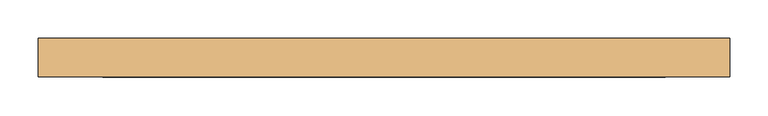
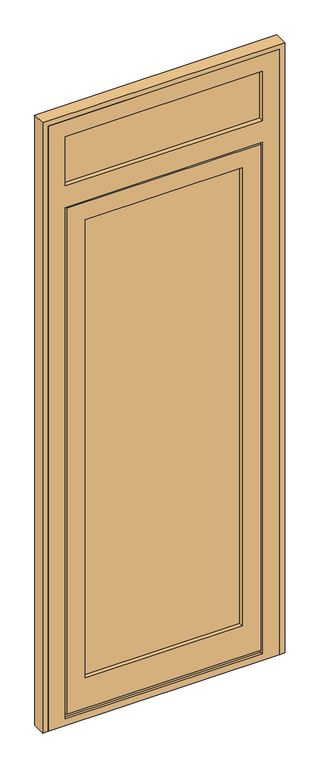
"""IFC4 building model written with IfcOpenShell, lengths in millimetres: door geometry."""

from ifc_helpers import new_model, si_unit, frame, origin, place, context, project, spatial, polyline, outline, extrude, faceted_brep, source, transform, mapped, element, save


def door_c989df3c(model_context):
    return source(origin(), model_context, "Body", "SolidModel", [
        extrude(outline(polyline([(-185.0, 67.0), (-185.0, 91.0), (435.0, 91.0), (435.0, 67.0), (-185.0, 67.0)])), frame((0.0, 0.0, 143.5), z_axis=(0.0, 0.0, 1.0), x_axis=(1.0, 0.0, 0.0)), (0.0, 0.0, 1.0), 1837.5),
        extrude(outline(polyline([(-259.0, 67.0), (-259.0, 91.0), (509.0, 91.0), (509.0, 67.0), (-259.0, 67.0)])), frame((0.0, 0.0, 2105.0), z_axis=(0.0, 0.0, 1.0), x_axis=(1.0, 0.0, 0.0)), (0.0, 0.0, 1.0), 229.0),
        faceted_brep([(511.0, 91.0, 17.0), (501.0, 91.0, 17.0), (501.0, 59.0, 17.0), (491.0, 59.0, 17.0), (491.0, 91.0, 17.0), (-241.0, 91.0, 17.0), (-241.0, 59.0, 17.0), (-251.0, 59.0, 17.0), (-251.0, 91.0, 17.0), (-261.0, 91.0, 17.0), (-261.0, 100.0, 17.0), (511.0, 100.0, 17.0), (511.0, 100.0, 2057.0), (511.0, 91.0, 2057.0), (-261.0, 100.0, 2057.0), (417.0, 100.0, 1963.0), (-167.0, 100.0, 1963.0), (-167.0, 100.0, 161.5), (417.0, 100.0, 161.5), (417.0, 91.0, 161.5), (417.0, 91.0, 1963.0), (-185.0, 91.0, 1981.0), (-185.0, 91.0, 143.5), (435.0, 91.0, 143.5), (435.0, 91.0, 1981.0), (-167.0, 91.0, 161.5), (-167.0, 91.0, 1963.0), (491.0, 91.0, 27.0), (-241.0, 91.0, 27.0), (435.0, 67.0, 143.5), (435.0, 67.0, 1981.0), (-185.0, 67.0, 143.5), (-185.0, 67.0, 1981.0), (417.0, 67.0, 1963.0), (-167.0, 67.0, 1963.0), (-167.0, 67.0, 161.5), (417.0, 67.0, 161.5), (417.0, 50.0, 161.5), (417.0, 50.0, 1963.0), (-236.0, 50.0, 2032.0), (-236.0, 50.0, 42.0), (486.0, 50.0, 42.0), (486.0, 50.0, 2032.0), (-167.0, 50.0, 161.5), (-167.0, 50.0, 1963.0), (486.0, 59.0, 42.0), (486.0, 59.0, 2032.0), (-241.0, 59.0, 27.0), (491.0, 59.0, 27.0), (501.0, 59.0, 2047.0), (-251.0, 59.0, 2047.0), (-236.0, 59.0, 42.0), (-236.0, 59.0, 2032.0), (501.0, 91.0, 2047.0), (-261.0, 91.0, 2057.0), (-251.0, 91.0, 2047.0)], [[[0, 1, 2, 3, 4, 5, 6, 7, 8, 9, 10, 11]], [[11, 12, 13, 0]], [[10, 14, 12, 11], [15, 16, 17, 18]], [[15, 18, 19, 20]], [[21, 22, 23, 24], [20, 19, 25, 26]], [[27, 28, 5, 4]], [[23, 29, 30, 24]], [[30, 29, 31, 32], [33, 34, 35, 36]], [[33, 36, 37, 38]], [[39, 40, 41, 42], [38, 37, 43, 44]], [[41, 45, 46, 42]], [[47, 48, 3, 2, 49, 50, 7, 6], [46, 45, 51, 52]], [[1, 53, 49, 2]], [[0, 13, 54, 9, 8, 55, 53, 1]], [[12, 14, 54, 13]], [[15, 20, 26, 16]], [[24, 30, 32, 21]], [[33, 38, 44, 34]], [[42, 46, 52, 39]], [[49, 53, 55, 50]], [[10, 9, 54, 14]], [[26, 25, 17, 16]], [[31, 22, 21, 32]], [[44, 43, 35, 34]], [[51, 40, 39, 52]], [[50, 55, 8, 7]], [[19, 18, 17, 25]], [[22, 31, 29, 23]], [[37, 36, 35, 43]], [[47, 6, 5, 28]], [[27, 4, 3, 48]], [[27, 48, 47, 28]], [[45, 41, 40, 51]]]),
        faceted_brep([(-305.0, 50.0, 0.0), (-305.0, 100.0, 0.0), (555.0, 100.0, 0.0), (555.0, 50.0, 0.0), (-305.0, 100.0, 2380.0), (555.0, 100.0, 2380.0), (516.0, 100.0, 9.0), (516.0, 100.0, 2062.0), (-266.0, 100.0, 2062.0), (-266.0, 100.0, 9.0), (-241.0, 100.0, 2316.0), (-241.0, 100.0, 2123.0), (491.0, 100.0, 2123.0), (491.0, 100.0, 2316.0), (516.0, 91.0, 9.0), (516.0, 91.0, 2062.0), (-266.0, 91.0, 9.0), (-266.0, 91.0, 2062.0), (501.0, 91.0, 2047.0), (-251.0, 91.0, 2047.0), (-251.0, 91.0, 27.0), (501.0, 91.0, 27.0), (501.0, 59.0, 27.0), (501.0, 59.0, 2047.0), (491.0, 59.0, 27.0), (491.0, 59.0, 2037.0), (-241.0, 59.0, 2037.0), (-241.0, 59.0, 27.0), (-251.0, 59.0, 27.0), (-251.0, 59.0, 2047.0), (491.0, 50.0, 27.0), (491.0, 50.0, 2037.0), (-305.0, 50.0, 2380.0), (555.0, 50.0, 2380.0), (-241.0, 50.0, 27.0), (-241.0, 50.0, 2037.0), (491.0, 50.0, 2316.0), (491.0, 50.0, 2123.0), (-241.0, 50.0, 2123.0), (-241.0, 50.0, 2316.0), (491.0, 67.0, 2123.0), (-241.0, 67.0, 2123.0), (509.0, 67.0, 2334.0), (509.0, 67.0, 2105.0), (-259.0, 67.0, 2105.0), (-259.0, 67.0, 2334.0), (-241.0, 67.0, 2316.0), (491.0, 67.0, 2316.0), (509.0, 91.0, 2105.0), (-259.0, 91.0, 2105.0), (-259.0, 91.0, 2334.0), (509.0, 91.0, 2334.0), (491.0, 91.0, 2316.0), (491.0, 91.0, 2123.0), (-241.0, 91.0, 2123.0), (-241.0, 91.0, 2316.0)], [[[0, 1, 2, 3]], [[2, 1, 4, 5], [6, 7, 8, 9], [10, 11, 12, 13]], [[14, 15, 7, 6]], [[14, 16, 17, 15], [18, 19, 20, 21]], [[22, 23, 18, 21]], [[24, 25, 26, 27, 28, 29, 23, 22]], [[30, 31, 25, 24]], [[32, 0, 3, 33], [31, 30, 34, 35], [36, 37, 38, 39]], [[2, 5, 33, 3]], [[1, 0, 32, 4]], [[6, 9, 16, 14]], [[21, 20, 28, 27, 34, 30, 24, 22]], [[29, 19, 18, 23]], [[31, 35, 26, 25]], [[37, 40, 41, 38]], [[42, 43, 44, 45], [46, 41, 40, 47]], [[48, 49, 44, 43]], [[50, 49, 48, 51], [52, 53, 54, 55]], [[11, 54, 53, 12]], [[17, 8, 7, 15]], [[13, 12, 53, 52]], [[51, 48, 43, 42]], [[47, 40, 37, 36]], [[5, 4, 32, 33]], [[13, 52, 55, 10]], [[51, 42, 45, 50]], [[47, 36, 39, 46]], [[55, 54, 11, 10]], [[45, 44, 49, 50]], [[39, 38, 41, 46]], [[16, 9, 8, 17]], [[19, 29, 28, 20]], [[34, 27, 26, 35]]]),
        extrude(outline(polyline([(2400.0, -325.0), (0.0, -325.0), (0.0, -305.0), (2380.0, -305.0), (2380.0, 555.0), (0.0, 555.0), (0.0, 575.0), (2400.0, 575.0), (2400.0, -325.0)])), frame((0.0, 50.0, 0.0), z_axis=(0.0, 1.0, 0.0), x_axis=(0.0, 0.0, 1.0)), (0.0, 0.0, 1.0), 50.0),
    ])


if __name__ == "__main__":
    model = new_model("IFC4")
    model_context = context("Model", 3, world=origin())
    ifc_project = project(units=[si_unit("LENGTHUNIT", "METRE", prefix="MILLI")], contexts=[model_context])
    site = spatial("IfcSite", under=ifc_project)
    building = spatial("IfcBuilding", under=site)
    placement = place(None, origin())
    door_shape = door_c989df3c(model_context)
    element("IfcDoor", 1, at=placement, inside=building, context=model_context, shape_type="MappedRepresentation", body=[
        mapped(door_shape, transform((0.0, 0.0, 0.0), x_axis=(1.0, 0.0, 0.0), y_axis=(0.0, 1.0, 0.0), z_axis=(0.0, 0.0, 1.0))),
    ])
    save(model, "model.ifc")
